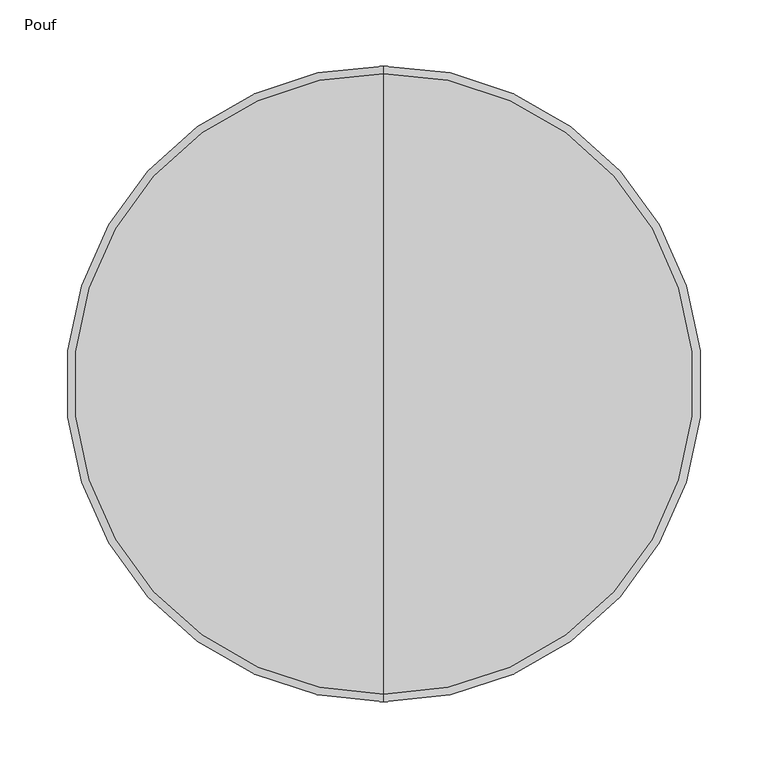
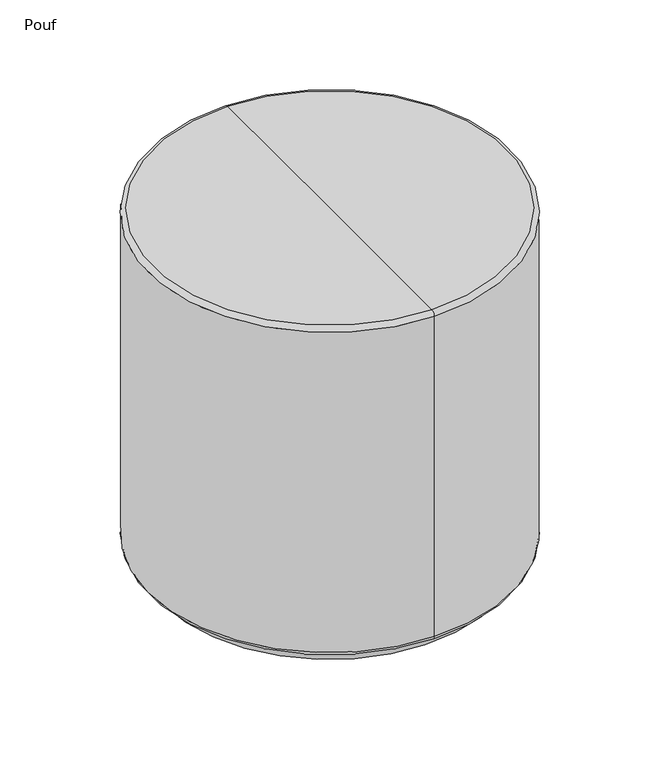
"""IFC4 building model written with IfcOpenShell, lengths in millimetres: furniture geometry, Pouf."""

from ifc_helpers import new_model, si_unit, point, frame, frame_2d, origin, place, context, project, spatial, circle_curve, ellipse_curve, trimmed, segment, composite_curve, outline, extrude, source, transform, mapped, element, save
from ifc_brep_helpers import plane_surface, cylinder_surface, revolved_surface, advanced_brep


def pouf_7d3a10d5(model_context):
    return source(origin(), model_context, "Body", "SolidModel", [
        extrude(outline(composite_curve([segment(trimmed(circle_curve(frame_2d((24.2670222, 516.3930528)), 23.9427234), [point((24.2670222, 492.4503293))], [point((24.2670222, 540.3357762))], False, "CARTESIAN"), True, "CONTINUOUS"), segment(trimmed(circle_curve(frame_2d((24.2670222, 516.3930528)), 23.9427234), [point((24.2670222, 540.3357762))], [point((24.2670222, 492.4503293))], False, "CARTESIAN"), True, "CONTINUOUS")], self_intersect=False)), frame((0.0, 200.4893042, 0.0), z_axis=(0.0, 1.0, 0.0), x_axis=(0.0, 0.0, 1.0)), (0.0, 0.0, 1.0), 17.6558627),
        extrude(outline(composite_curve([segment(trimmed(circle_curve(frame_2d((24.2670222, 709.5191574)), 23.9427234), [point((24.2670222, 685.5764339))], [point((24.2670222, 733.4618808))], False, "CARTESIAN"), True, "CONTINUOUS"), segment(trimmed(circle_curve(frame_2d((24.2670222, 709.5191574)), 23.9427234), [point((24.2670222, 733.4618808))], [point((24.2670222, 685.5764339))], False, "CARTESIAN"), True, "CONTINUOUS")], self_intersect=False)), frame((0.0, 139.2606651, 0.0), z_axis=(0.0, 1.0, 0.0), x_axis=(0.0, 0.0, 1.0)), (0.0, 0.0, 1.0), 17.6558627),
        extrude(outline(composite_curve([segment(trimmed(circle_curve(frame_2d((24.2670222, 709.5828379)), 23.9427234), [point((24.2670222, 685.6401144))], [point((24.2670222, 733.5255613))], False, "CARTESIAN"), True, "CONTINUOUS"), segment(trimmed(circle_curve(frame_2d((24.2670222, 709.5828379)), 23.9427234), [point((24.2670222, 733.5255613))], [point((24.2670222, 685.6401144))], False, "CARTESIAN"), True, "CONTINUOUS")], self_intersect=False)), frame((0.0, -63.4859984, 0.0), z_axis=(0.0, 1.0, 0.0), x_axis=(0.0, 0.0, 1.0)), (0.0, 0.0, 1.0), 17.6558627),
        extrude(outline(composite_curve([segment(trimmed(circle_curve(frame_2d((24.2670222, 398.2195599)), 23.9427234), [point((24.2670222, 374.2768364))], [point((24.2670222, 422.1622833))], False, "CARTESIAN"), True, "CONTINUOUS"), segment(trimmed(circle_curve(frame_2d((24.2670222, 398.2195599)), 23.9427234), [point((24.2670222, 422.1622833))], [point((24.2670222, 374.2768364))], False, "CARTESIAN"), True, "CONTINUOUS")], self_intersect=False)), frame((0.0, 36.1346333, 0.0), z_axis=(0.0, 1.0, 0.0), x_axis=(0.0, 0.0, 1.0)), (0.0, 0.0, 1.0), 17.6558627),
        extrude(outline(composite_curve([segment(trimmed(circle_curve(frame_2d((24.2670222, 516.5077885)), 23.9427234), [point((24.2670222, 492.5650651))], [point((24.2670222, 540.450512))], False, "CARTESIAN"), True, "CONTINUOUS"), segment(trimmed(circle_curve(frame_2d((24.2670222, 516.5077885)), 23.9427234), [point((24.2670222, 540.450512))], [point((24.2670222, 492.5650651))], False, "CARTESIAN"), True, "CONTINUOUS")], self_intersect=False)), frame((0.0, -127.2213976, 0.0), z_axis=(0.0, 1.0, 0.0), x_axis=(0.0, 0.0, 1.0)), (0.0, 0.0, 1.0), 17.6558627),
        extrude(outline(composite_curve([segment(trimmed(circle_curve(frame_2d((570.4935539, 44.45)), 219.9011404), [point((350.5924135, 44.45))], [point((790.3946943, 44.45))], False, "CARTESIAN"), True, "CONTINUOUS"), segment(trimmed(circle_curve(frame_2d((570.4935539, 44.45)), 219.9011404), [point((790.3946943, 44.45))], [point((350.5924135, 44.45))], False, "CARTESIAN"), True, "CONTINUOUS")], self_intersect=False)), frame((0.0, 0.0, 14.994014), z_axis=(0.0, 0.0, 1.0), x_axis=(1.0, 0.0, 0.0)), (0.0, 0.0, 1.0), 18.4045248),
        advanced_brep(
        [(571.0786742, -196.348659, 487.9615752), (571.0786742, 285.248659, 487.9615752), (571.0786742, 279.4160527, 493.794605), (571.0786742, -190.5160527, 493.794605), (571.0786742, -196.315655, 39.2520201), (571.0786742, 285.215655, 39.2520201), (571.0786742, -190.4621744, 33.3985388), (571.0786742, 279.3621744, 33.3985388), (571.0786742, 44.45, 33.3985388), (571.0786742, 44.45, 493.794605)],
        [
            (0, 1, circle_curve(frame((571.0786742, 44.45, 487.9615752), z_axis=(0.0, 0.0, 1.0), x_axis=(0.0, 1.0, 0.0)), 240.798659)),
            (1, 2, circle_curve(frame((571.0786742, 279.4160527, 487.9619986), z_axis=(1.0, 0.0, 0.0), x_axis=(0.0, 1.0, 0.0)), 5.8326063)),
            (2, 3, circle_curve(frame((571.0786742, 44.45, 493.794605), z_axis=(0.0, 0.0, -1.0), x_axis=(0.0, 1.0, 0.0)), 234.9660527)),
            (3, 0, circle_curve(frame((571.0786742, -190.5160527, 487.9619986), z_axis=(1.0, 0.0, 0.0), x_axis=(0.0, -1.0, 0.0)), 5.8326063)),
            (1, 0, circle_curve(frame((571.0786742, 44.45, 487.9615752), z_axis=(0.0, 0.0, 1.0), x_axis=(0.0, 1.0, 0.0)), 240.798659)),
            (3, 2, circle_curve(frame((571.0786742, 44.45, 493.794605), z_axis=(0.0, 0.0, -1.0), x_axis=(0.0, 1.0, 0.0)), 234.9660527)),
            (4, 5, circle_curve(frame((571.0786742, 44.45, 39.2520201), z_axis=(0.0, 0.0, 1.0), x_axis=(0.0, 1.0, 0.0)), 240.765655)),
            (5, 1),
            (0, 4),
            (5, 4, circle_curve(frame((571.0786742, 44.45, 39.2520201), z_axis=(0.0, 0.0, 1.0), x_axis=(0.0, 1.0, 0.0)), 240.765655)),
            (6, 7, circle_curve(frame((571.0786742, 44.45, 33.3985388), z_axis=(0.0, 0.0, 1.0), x_axis=(0.0, 1.0, 0.0)), 234.9121744)),
            (7, 5, circle_curve(frame((571.0786742, 279.3621744, 39.2524451), z_axis=(1.0, 0.0, 0.0), x_axis=(0.0, 1.0, 0.0)), 5.8539063)),
            (4, 6, circle_curve(frame((571.0786742, -190.4621744, 39.2524451), z_axis=(1.0, 0.0, 0.0), x_axis=(0.0, -1.0, 0.0)), 5.8539063)),
            (7, 6, circle_curve(frame((571.0786742, 44.45, 33.3985388), z_axis=(0.0, 0.0, 1.0), x_axis=(0.0, 1.0, 0.0)), 234.9121744)),
            (8, 7),
            (6, 8),
            (2, 9),
            (9, 3),
        ],
        [
            revolved_surface(trimmed(ellipse_curve(frame((571.0786742, 279.4160527, 487.9619986), z_axis=(-1.0, 0.0, 0.0), x_axis=(0.0, 1.0, 0.0)), 5.8326063, 5.8326063), [point((571.0786742, 279.4160527, 493.794605))], [point((571.0786742, 285.248659, 487.9615752))], True, "CARTESIAN"), (571.0786742, 44.45, 33.3985388), (0.0, 0.0, -1.0)),
            cylinder_surface(frame((571.0786742, 44.45, 33.3985388), z_axis=(0.0, 0.0, -1.0), x_axis=(0.0, 1.0, 0.0)), 240.765655),
            revolved_surface(trimmed(ellipse_curve(frame((571.0786742, 279.3621744, 39.2524451), z_axis=(-1.0, 0.0, 0.0), x_axis=(0.0, 1.0, 0.0)), 5.8539063, 5.8539063), [point((571.0786742, 285.2160806, 39.2520201))], [point((571.0786742, 279.3621744, 33.3985388))], True, "CARTESIAN"), (571.0786742, 44.45, 33.3985388), (0.0, 0.0, -1.0)),
            plane_surface(frame((571.0786742, 44.45, 33.3985388), z_axis=(0.0, 0.0, -1.0), x_axis=(0.0, 1.0, 0.0))),
            plane_surface(frame((571.0786742, 44.45, 493.794605), z_axis=(0.0, 0.0, 1.0), x_axis=(0.0, 1.0, 0.0))),
        ],
        [
            (0, [[1, 2, 3, 4]]),
            (0, [[5, -4, 6, -2]]),
            (1, [[7, 8, -1, 9]]),
            (1, [[10, -9, -5, -8]]),
            (2, [[11, 12, -7, 13]]),
            (2, [[14, -13, -10, -12]]),
            (3, [[15, -11, 16]]),
            (3, [[-16, -14, -15]]),
            (4, [[-3, 17, 18]]),
            (4, [[-6, -18, -17]]),
        ],
    ),
    ])


if __name__ == "__main__":
    model = new_model("IFC4")
    model_context = context("Model", 3, world=origin())
    ifc_project = project(units=[si_unit("LENGTHUNIT", "METRE", prefix="MILLI")], contexts=[model_context])
    site = spatial("IfcSite", under=ifc_project)
    building = spatial("IfcBuilding", under=site)
    placement = place(None, origin())
    pouf_shape = pouf_7d3a10d5(model_context)
    element("IfcFurniture", 1, ObjectType="Pouf", at=placement, inside=building, context=model_context, shape_type="MappedRepresentation", body=[
        mapped(pouf_shape, transform((0.0, 0.0, 0.0), x_axis=(1.0, 0.0, 0.0), y_axis=(0.0, 1.0, 0.0), z_axis=(0.0, 0.0, 1.0))),
    ])
    save(model, "model.ifc")
